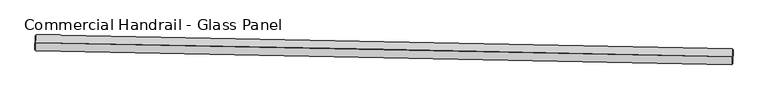
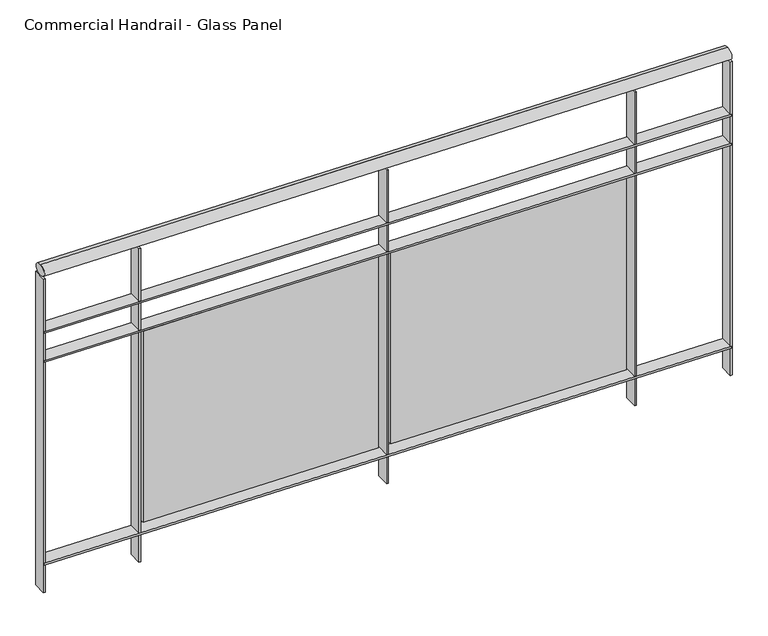
"""IFC4 building model written with IfcOpenShell, lengths in millimetres: railing geometry, Commercial Handrail - Glass Panel."""

import ifcopenshell
import ifcopenshell.guid

model = None  # the IFC model being written
_history = None  # IfcOwnerHistory: only IFC2X3 demands one
_inside = {}  # id of a spatial element -> (the spatial element, [elements in it])
_under = {}  # id of a project, library or spatial element -> (it, [spatial elements below it])
_declared = {}  # id of a project -> (the project, [libraries it declares])
_typed = {}  # id of a type object -> (the type object, [elements of that type])
_made_of = {}  # id of a material, layer set ... -> (it, [elements and type objects made of it])


def new_model(schema):
    """Start an empty IFC model of exactly this schema.

    Asked for "IFC4X3", IfcOpenShell would pick the latest addendum, in which some entities
    have other attributes; the version numbers below select the first issue.
    IFC2X3 requires an IfcOwnerHistory on every rooted entity: one is made here for all.
    """
    global model, _history
    if schema == "IFC4X3":
        model = ifcopenshell.file(schema_version=(4, 3, 0, 0))
    else:
        model = ifcopenshell.file(schema=schema)
    _inside.clear()
    _under.clear()
    _declared.clear()
    _typed.clear()
    _made_of.clear()
    _history = None
    if model.schema == "IFC2X3":
        org = make("IfcOrganization", Name="unknown")
        user = make(
            "IfcPersonAndOrganization",
            ThePerson=make("IfcPerson", FamilyName="unknown"),
            TheOrganization=org,
        )
        app = make(
            "IfcApplication",
            ApplicationDeveloper=org,
            Version="unknown",
            ApplicationFullName="unknown",
            ApplicationIdentifier="unknown",
        )
        _history = make(
            "IfcOwnerHistory",
            OwningUser=user,
            OwningApplication=app,
            ChangeAction="ADDED",
            CreationDate=0,
        )
    return model


def make(cls, **values):
    """One entity of the class cls with the attributes given. An attribute that is None is left unset."""
    return model.create_entity(
        cls, **{name: value for name, value in values.items() if value is not None}
    )


def rooted(cls, **values):
    """An entity with a GlobalId (a new one), such as an element, a storey or a relation."""
    return make(cls, GlobalId=ifcopenshell.guid.new(), OwnerHistory=_history, **values)


def si_unit(unit_type, name, prefix=None):
    """IfcSIUnit, for example si_unit("LENGTHUNIT", "METRE", prefix="MILLI")."""
    return make("IfcSIUnit", UnitType=unit_type, Prefix=prefix, Name=name)


def assignment(units):
    """IfcUnitAssignment: the units of a project."""
    return None if units is None else make("IfcUnitAssignment", Units=units)


def point(xyz):
    """IfcCartesianPoint."""
    return None if xyz is None else make("IfcCartesianPoint", Coordinates=xyz)


def direction(xyz):
    """IfcDirection."""
    return None if xyz is None else make("IfcDirection", DirectionRatios=xyz)


def frame(location, z_axis=None, x_axis=None):
    """IfcAxis2Placement3D, a coordinate frame: its origin and axes. An axis left out is left unset."""
    return make(
        "IfcAxis2Placement3D",
        Location=point(location),
        Axis=direction(z_axis),
        RefDirection=direction(x_axis),
    )


def origin():
    """The frame at (0, 0, 0) with its axes left unset."""
    return frame((0.0, 0.0, 0.0))


def place(relative_to, where):
    """IfcLocalPlacement: puts the frame where relative to a parent placement (None: the world)."""
    return make(
        "IfcLocalPlacement", PlacementRelTo=relative_to, RelativePlacement=where
    )


def context(
    kind, dimensions, precision=None, world=None, true_north=None, identifier=None
):
    """IfcGeometricRepresentationContext, for example the 3D "Model" context."""
    return make(
        "IfcGeometricRepresentationContext",
        ContextIdentifier=identifier,
        ContextType=kind,
        CoordinateSpaceDimension=dimensions,
        Precision=precision,
        WorldCoordinateSystem=world,
        TrueNorth=true_north,
    )


def project(units=None, contexts=None):
    """IfcProject with its units and contexts."""
    return rooted(
        "IfcProject",
        Name="project",
        RepresentationContexts=contexts,
        UnitsInContext=assignment(units),
    )


def spatial(cls, under=None, at=None, **own):
    """A site, building, storey or space (cls), placed at a placement, below another one or the project."""
    s = rooted(cls, ObjectPlacement=at, **own)
    if under is not None:
        _under.setdefault(under.id(), (under, []))[1].append(s)
    return s


def polyline(points):
    """IfcPolyline through the points."""
    return make("IfcPolyline", Points=[point(p) for p in points])


def circle_curve(where, radius):
    """IfcCircle in the frame where."""
    return make("IfcCircle", Position=where, Radius=radius)


def ellipse_curve(where, semi_axis1, semi_axis2):
    """IfcEllipse in the frame where."""
    return make(
        "IfcEllipse", Position=where, SemiAxis1=semi_axis1, SemiAxis2=semi_axis2
    )


def trimmed(basis, trim1, trim2, sense, master):
    """IfcTrimmedCurve: the piece of a basis curve between two trims."""
    return make(
        "IfcTrimmedCurve",
        BasisCurve=basis,
        Trim1=trim1,
        Trim2=trim2,
        SenseAgreement=sense,
        MasterRepresentation=master,
    )


def outline(outer, holes=None, kind="AREA"):
    """IfcArbitraryClosedProfileDef: a profile drawn as a closed curve; with holes, ...WithVoids."""
    if holes is None:
        return make("IfcArbitraryClosedProfileDef", ProfileType=kind, OuterCurve=outer)
    return make(
        "IfcArbitraryProfileDefWithVoids",
        ProfileType=kind,
        OuterCurve=outer,
        InnerCurves=holes,
    )


def extrude(swept, where, along, depth):
    """IfcExtrudedAreaSolid: the profile swept, set in the frame where, extruded along a direction by depth."""
    return make(
        "IfcExtrudedAreaSolid",
        SweptArea=swept,
        Position=where,
        ExtrudedDirection=direction(along),
        Depth=depth,
    )


def shape(context_of_items, identifier, shape_type, items):
    """IfcShapeRepresentation: the items that make up one representation, for example the "Body"."""
    return make(
        "IfcShapeRepresentation",
        ContextOfItems=context_of_items,
        RepresentationIdentifier=identifier,
        RepresentationType=shape_type,
        Items=items,
    )


def source(mapping_origin, context_of_items, identifier, shape_type, items):
    """IfcRepresentationMap: a shape defined once, which mapped items show again and again."""
    return make(
        "IfcRepresentationMap",
        MappingOrigin=mapping_origin,
        MappedRepresentation=shape(context_of_items, identifier, shape_type, items),
    )


def transform(
    local_origin,
    x_axis=None,
    y_axis=None,
    z_axis=None,
    scale=None,
    scale2=None,
    scale3=None,
    uniform=True,
):
    """IfcCartesianTransformationOperator3D, or its non-uniform kind. x_axis, y_axis, z_axis: its Axis1, 2, 3."""
    if uniform:
        return make(
            "IfcCartesianTransformationOperator3D",
            Axis1=direction(x_axis),
            Axis2=direction(y_axis),
            LocalOrigin=point(local_origin),
            Scale=scale,
            Axis3=direction(z_axis),
        )
    return make(
        "IfcCartesianTransformationOperator3DnonUniform",
        Axis1=direction(x_axis),
        Axis2=direction(y_axis),
        LocalOrigin=point(local_origin),
        Scale=scale,
        Axis3=direction(z_axis),
        Scale2=scale2,
        Scale3=scale3,
    )


def mapped(mapping_source, mapping_target):
    """IfcMappedItem: shows the shape of a source again, moved by a transform."""
    return make(
        "IfcMappedItem", MappingSource=mapping_source, MappingTarget=mapping_target
    )


def made_of(thing, what):
    """Note that an element or type object is made of a material, layer set ...; save() writes the relation."""
    if what is not None:
        _made_of.setdefault(what.id(), (what, []))[1].append(thing)
    return thing


def element(
    cls,
    number,
    at=None,
    inside=None,
    cuts=None,
    type_object=None,
    material=None,
    context=None,
    identifier="Body",
    shape_type=None,
    held_by="IfcProductDefinitionShape",
    body=None,
    shapes=None,
    **own,
):
    """One element of the class cls, such as IfcWall. Its Tag is "e" and its number.

    at: its placement. inside: the storey or other place that contains it. cuts: it is an
    opening in that element (IfcRelVoidsElement). A single representation is given by context,
    identifier, shape_type and body (its items); several are given by shapes. held_by: the class
    of the entity that holds the representations. save() writes the other relations.
    """
    e = rooted(cls, Tag="e%d" % number, ObjectPlacement=at, **own)
    if body is not None:
        shapes = [shape(context, identifier, shape_type, body)]
    if shapes is not None:
        e.Representation = make(held_by, Representations=shapes)
    if inside is not None:
        _inside.setdefault(inside.id(), (inside, []))[1].append(e)
    if cuts is not None:
        rooted(
            "IfcRelVoidsElement", RelatingBuildingElement=cuts, RelatedOpeningElement=e
        )
    if type_object is not None:
        _typed.setdefault(type_object.id(), (type_object, []))[1].append(e)
    return made_of(e, material)


def aggregate(whole, parts):
    """IfcRelAggregates: a whole, such as a stair, and the parts it consists of."""
    return rooted("IfcRelAggregates", RelatingObject=whole, RelatedObjects=parts)


def save(model, path):
    """Write the relations noted so far, then the file.

    IfcRelAggregates (storeys below a building ...), IfcRelContainedInSpatialStructure (elements
    in a storey), IfcRelDefinesByType, IfcRelAssociatesMaterial and IfcRelDeclares: one each for
    every whole, place, type object, material and project.
    """
    for whole, parts in _under.values():
        aggregate(whole, parts)
    for where, things in _inside.values():
        rooted(
            "IfcRelContainedInSpatialStructure",
            RelatedElements=things,
            RelatingStructure=where,
        )
    for kind, things in _typed.values():
        rooted("IfcRelDefinesByType", RelatedObjects=things, RelatingType=kind)
    for what, things in _made_of.values():
        rooted("IfcRelAssociatesMaterial", RelatedObjects=things, RelatingMaterial=what)
    for by, libraries in _declared.values():
        rooted("IfcRelDeclares", RelatingContext=by, RelatedDefinitions=libraries)
    model.write(path)


def plane_surface(at):
    """IfcPlane: the flat surface through the origin of the frame at, square to its z axis."""
    return make("IfcPlane", Position=at)


def cylinder_surface(at, radius):
    """IfcCylindricalSurface: all points at the distance radius from the z axis of the frame at."""
    return make("IfcCylindricalSurface", Position=at, Radius=radius)


def revolved_surface(curve, axis_point, axis_direction):
    """IfcSurfaceOfRevolution: the curve turned about the line through axis_point along axis_direction."""
    return make(
        "IfcSurfaceOfRevolution",
        SweptCurve=make("IfcArbitraryOpenProfileDef", ProfileType="CURVE", Curve=curve),
        AxisPosition=make("IfcAxis1Placement", Location=point(axis_point), Axis=direction(axis_direction)),
    )


def advanced_brep(points, edges, surfaces, faces):
    """IfcAdvancedBrep: a solid bounded by faces that lie on surfaces and meet in shared edges.

    An edge is (start, end): straight between two places in points (the first is 0);
    or (start, end, curve); or (start, end, curve, False) where it runs against its curve.
    A face is (place in surfaces, loops), or (place, loops, False) where it looks against
    its surface's normal. A loop lists edges by number (the first is 1), with a minus sign
    where the edge is run from its end to its start. The first loop is the outer one.
    """
    corners = [point(p) for p in points]
    vertices = [make("IfcVertexPoint", VertexGeometry=c) for c in corners]
    made = []
    for start, end, *more in edges:
        made.append(
            make(
                "IfcEdgeCurve",
                EdgeStart=vertices[start],
                EdgeEnd=vertices[end],
                EdgeGeometry=more[0] if more else make("IfcPolyline", Points=[corners[start], corners[end]]),
                SameSense=more[1] if len(more) > 1 else True,
            )
        )
    hull = []
    for where, loops, *sense in faces:
        bounds = []
        for j, loop in enumerate(loops):
            ring = [make("IfcOrientedEdge", EdgeElement=made[abs(k) - 1], Orientation=k > 0) for k in loop]
            bounds.append(
                make(
                    "IfcFaceOuterBound" if j == 0 else "IfcFaceBound",
                    Bound=make("IfcEdgeLoop", EdgeList=ring),
                    Orientation=True,
                )
            )
        hull.append(make("IfcAdvancedFace", Bounds=bounds, FaceSurface=surfaces[where], SameSense=sense[0] if sense else True))
    return make("IfcAdvancedBrep", Outer=make("IfcClosedShell", CfsFaces=hull))


def commercial_handrail_glass_panel_715b6f1b(model_context):
    return source(origin(), model_context, "Body", "SolidModel", [
        advanced_brep(
        [(109450.0847955, -31519.7385661, 19682.5), (111668.0683441, -31564.3090244, 19682.5), (111668.0683441, -31564.3090244, 19717.5), (109450.0847955, -31519.7385661, 19717.5)],
        [
            (0, 1, circle_curve(frame((103958.1605732, -360026.9365691, 19682.5), z_axis=(0.0, 0.0, -1.0), x_axis=(0.023466245609922713, 0.9997246297440985, 0.0)), 328553.1012963)),
            (1, 2, ellipse_curve(frame((111668.0683441, -31564.3090244, 19700.0), z_axis=(-0.9997246297440988, 0.02346624560991631, 0.0), x_axis=(0.0234662456099163, 0.9997246297440986, 0.0)), 25.0, 17.5)),
            (2, 3, circle_curve(frame((103958.1605732, -360026.9365691, 19717.5), z_axis=(0.0, 0.0, 1.0), x_axis=(0.023466245609922713, 0.9997246297440985, 0.0)), 328553.1012963)),
            (3, 0, ellipse_curve(frame((109450.0847955, -31519.7385661, 19700.0), z_axis=(0.999860286531577, -0.016715484348137827, 0.0), x_axis=(0.016715484348137827, 0.999860286531577, 0.0)), 25.0, 17.5)),
            (2, 1, ellipse_curve(frame((111668.0683441, -31564.3090244, 19700.0), z_axis=(-0.9997246297440988, 0.02346624560991631, 0.0), x_axis=(0.0234662456099163, 0.9997246297440986, 0.0)), 25.0, 17.5)),
            (0, 3, ellipse_curve(frame((109450.0847955, -31519.7385661, 19700.0), z_axis=(0.999860286531577, -0.016715484348137827, 0.0), x_axis=(0.016715484348137827, 0.999860286531577, 0.0)), 25.0, 17.5)),
        ],
        [
            revolved_surface(trimmed(ellipse_curve(frame((111668.0683441, -31564.3090244, 19700.0), z_axis=(0.9997246297440985, -0.023466245609922713, 0.0), x_axis=(0.0, 0.0, -1.0)), 17.5, 25.0), [point((111668.0683441, -31564.3090244, 19717.5))], [point((111668.0683441, -31564.3090244, 19682.5))], True, "CARTESIAN"), (103958.1605732, -360026.9365691, 19700.0), (0.0, 0.0, 1.0)),
            revolved_surface(trimmed(ellipse_curve(frame((111668.0683441, -31564.3090244, 19700.0), z_axis=(0.9997246297440985, -0.023466245609922713, 0.0), x_axis=(0.0, 0.0, -1.0)), 17.5, 25.0), [point((111668.0683441, -31564.3090244, 19682.5))], [point((111668.0683441, -31564.3090244, 19717.5))], True, "CARTESIAN"), (103958.1605732, -360026.9365691, 19700.0), (0.0, 0.0, 1.0)),
            plane_surface(frame((111668.0683441, -31564.3090244, 19700.0), z_axis=(0.9997246297440986, -0.023466245609922713, 0.0), x_axis=(0.023466245609922713, 0.9997246297440986, 0.0))),
            plane_surface(frame((109450.0847955, -31519.7385661, 19700.0), z_axis=(-0.999860286531577, 0.016715484348137813, 0.0), x_axis=(0.016715484348137813, 0.999860286531577, 0.0))),
        ],
        [
            (0, [[1, 2, 3, 4]]),
            (1, [[-3, 5, -1, 6]]),
            (2, [[-2, -5]]),
            (3, [[-6, -4]]),
        ],
    ),
        advanced_brep(
        [(109449.7086971, -31542.2354226, 19500.0), (111667.5403536, -31586.8028285, 19500.0), (111668.5963347, -31541.8152202, 19500.0), (109450.4608939, -31497.2417097, 19500.0), (109449.7086971, -31542.2354226, 19494.0), (111667.5403536, -31586.8028285, 19494.0), (109450.4608939, -31497.2417097, 19494.0), (111668.5963347, -31541.8152202, 19494.0)],
        [
            (0, 1, circle_curve(frame((103958.1605732, -360026.9365691, 19500.0), z_axis=(0.0, 0.0, -1.0), x_axis=(0.023466245609922713, 0.9997246297440985, 0.0)), 328530.6012963)),
            (1, 2),
            (2, 3, circle_curve(frame((103958.1605732, -360026.9365691, 19500.0), z_axis=(0.0, 0.0, 1.0), x_axis=(0.023466245609922713, 0.9997246297440985, 0.0)), 328575.6012963)),
            (3, 0),
            (4, 5, circle_curve(frame((103958.1605732, -360026.9365691, 19494.0), z_axis=(0.0, 0.0, -1.0), x_axis=(0.023466245609922713, 0.9997246297440985, 0.0)), 328530.6012963)),
            (5, 1),
            (0, 4),
            (6, 7, circle_curve(frame((103958.1605732, -360026.9365691, 19494.0), z_axis=(0.0, 0.0, -1.0), x_axis=(0.023466245609922713, 0.9997246297440985, 0.0)), 328575.6012963)),
            (7, 5),
            (4, 6),
            (2, 7),
            (6, 3),
        ],
        [
            plane_surface(frame((103958.1605732, -360026.9365691, 19500.0), z_axis=(0.0, 0.0, 1.0), x_axis=(0.023466245609922713, 0.9997246297440985, 0.0))),
            revolved_surface(polyline([(111667.54035359457, -31586.802828550455, 19500.0), (111667.54035359457, -31586.802828550455, 19494.0)]), (103958.1605732, -360026.9365691, 19500.0), (0.0, 0.0, 1.0)),
            plane_surface(frame((103958.1605732, -360026.9365691, 19494.0), z_axis=(0.0, 0.0, -1.0), x_axis=(0.023466245609922713, 0.9997246297440985, 0.0))),
            cylinder_surface(frame((103958.1605732, -360026.9365691, 19500.0), z_axis=(0.0, 0.0, 1.0), x_axis=(0.023466245609922713, 0.9997246297440985, 0.0)), 328575.6012963),
            plane_surface(frame((111668.0683441, -31564.3090244, 19500.0), z_axis=(0.9997246297440986, -0.023466245609922713, 0.0), x_axis=(0.023466245609922713, 0.9997246297440986, 0.0))),
            plane_surface(frame((109450.0847955, -31519.7385661, 19500.0), z_axis=(-0.999860286531577, 0.016715484348137813, 0.0), x_axis=(0.016715484348137813, 0.999860286531577, 0.0))),
        ],
        [
            (0, [[1, 2, 3, 4]]),
            (1, [[5, 6, -1, 7]]),
            (2, [[8, 9, -5, 10]]),
            (3, [[-3, 11, -8, 12]]),
            (4, [[-2, -6, -9, -11]]),
            (5, [[-12, -10, -7, -4]]),
        ],
    ),
        advanced_brep(
        [(109449.7086971, -31542.2354226, 19400.0), (111667.5403536, -31586.8028285, 19400.0), (111668.5963347, -31541.8152202, 19400.0), (109450.4608939, -31497.2417097, 19400.0), (109449.7086971, -31542.2354226, 19394.0), (111667.5403536, -31586.8028285, 19394.0), (109450.4608939, -31497.2417097, 19394.0), (111668.5963347, -31541.8152202, 19394.0)],
        [
            (0, 1, circle_curve(frame((103958.1605732, -360026.9365691, 19400.0), z_axis=(0.0, 0.0, -1.0), x_axis=(0.023466245609922713, 0.9997246297440985, 0.0)), 328530.6012963)),
            (1, 2),
            (2, 3, circle_curve(frame((103958.1605732, -360026.9365691, 19400.0), z_axis=(0.0, 0.0, 1.0), x_axis=(0.023466245609922713, 0.9997246297440985, 0.0)), 328575.6012963)),
            (3, 0),
            (4, 5, circle_curve(frame((103958.1605732, -360026.9365691, 19394.0), z_axis=(0.0, 0.0, -1.0), x_axis=(0.023466245609922713, 0.9997246297440985, 0.0)), 328530.6012963)),
            (5, 1),
            (0, 4),
            (6, 7, circle_curve(frame((103958.1605732, -360026.9365691, 19394.0), z_axis=(0.0, 0.0, -1.0), x_axis=(0.023466245609922713, 0.9997246297440985, 0.0)), 328575.6012963)),
            (7, 5),
            (4, 6),
            (2, 7),
            (6, 3),
        ],
        [
            plane_surface(frame((103958.1605732, -360026.9365691, 19400.0), z_axis=(0.0, 0.0, 1.0), x_axis=(0.023466245609922713, 0.9997246297440985, 0.0))),
            revolved_surface(polyline([(111667.54035359457, -31586.802828550455, 19400.0), (111667.54035359457, -31586.802828550455, 19394.0)]), (103958.1605732, -360026.9365691, 19400.0), (0.0, 0.0, 1.0)),
            plane_surface(frame((103958.1605732, -360026.9365691, 19394.0), z_axis=(0.0, 0.0, -1.0), x_axis=(0.023466245609922713, 0.9997246297440985, 0.0))),
            cylinder_surface(frame((103958.1605732, -360026.9365691, 19400.0), z_axis=(0.0, 0.0, 1.0), x_axis=(0.023466245609922713, 0.9997246297440985, 0.0)), 328575.6012963),
            plane_surface(frame((111668.0683441, -31564.3090244, 19400.0), z_axis=(0.9997246297440986, -0.023466245609922713, 0.0), x_axis=(0.023466245609922713, 0.9997246297440986, 0.0))),
            plane_surface(frame((109450.0847955, -31519.7385661, 19400.0), z_axis=(-0.999860286531577, 0.016715484348137813, 0.0), x_axis=(0.016715484348137813, 0.999860286531577, 0.0))),
        ],
        [
            (0, [[1, 2, 3, 4]]),
            (1, [[5, 6, -1, 7]]),
            (2, [[8, 9, -5, 10]]),
            (3, [[-3, 11, -8, 12]]),
            (4, [[-2, -6, -9, -11]]),
            (5, [[-12, -10, -7, -4]]),
        ],
    ),
        advanced_brep(
        [(109449.7086971, -31542.2354226, 18700.0), (111667.5403536, -31586.8028285, 18700.0), (111668.5963347, -31541.8152202, 18700.0), (109450.4608939, -31497.2417097, 18700.0), (109449.7086971, -31542.2354226, 18694.0), (111667.5403536, -31586.8028285, 18694.0), (109450.4608939, -31497.2417097, 18694.0), (111668.5963347, -31541.8152202, 18694.0)],
        [
            (0, 1, circle_curve(frame((103958.1605732, -360026.9365691, 18700.0), z_axis=(0.0, 0.0, -1.0), x_axis=(0.023466245609922713, 0.9997246297440985, 0.0)), 328530.6012963)),
            (1, 2),
            (2, 3, circle_curve(frame((103958.1605732, -360026.9365691, 18700.0), z_axis=(0.0, 0.0, 1.0), x_axis=(0.023466245609922713, 0.9997246297440985, 0.0)), 328575.6012963)),
            (3, 0),
            (4, 5, circle_curve(frame((103958.1605732, -360026.9365691, 18694.0), z_axis=(0.0, 0.0, -1.0), x_axis=(0.023466245609922713, 0.9997246297440985, 0.0)), 328530.6012963)),
            (5, 1),
            (0, 4),
            (6, 7, circle_curve(frame((103958.1605732, -360026.9365691, 18694.0), z_axis=(0.0, 0.0, -1.0), x_axis=(0.023466245609922713, 0.9997246297440985, 0.0)), 328575.6012963)),
            (7, 5),
            (4, 6),
            (2, 7),
            (6, 3),
        ],
        [
            plane_surface(frame((103958.1605732, -360026.9365691, 18700.0), z_axis=(0.0, 0.0, 1.0), x_axis=(0.023466245609922713, 0.9997246297440985, 0.0))),
            revolved_surface(polyline([(111667.54035359457, -31586.802828550455, 18700.0), (111667.54035359457, -31586.802828550455, 18694.0)]), (103958.1605732, -360026.9365691, 18700.0), (0.0, 0.0, 1.0)),
            plane_surface(frame((103958.1605732, -360026.9365691, 18694.0), z_axis=(0.0, 0.0, -1.0), x_axis=(0.023466245609922713, 0.9997246297440985, 0.0))),
            cylinder_surface(frame((103958.1605732, -360026.9365691, 18700.0), z_axis=(0.0, 0.0, 1.0), x_axis=(0.023466245609922713, 0.9997246297440985, 0.0)), 328575.6012963),
            plane_surface(frame((111668.0683441, -31564.3090244, 18700.0), z_axis=(0.9997246297440986, -0.023466245609922713, 0.0), x_axis=(0.023466245609922713, 0.9997246297440986, 0.0))),
            plane_surface(frame((109450.0847955, -31519.7385661, 18700.0), z_axis=(-0.999860286531577, 0.016715484348137813, 0.0), x_axis=(0.016715484348137813, 0.999860286531577, 0.0))),
        ],
        [
            (0, [[1, 2, 3, 4]]),
            (1, [[5, 6, -1, 7]]),
            (2, [[8, 9, -5, 10]]),
            (3, [[-3, 11, -8, 12]]),
            (4, [[-2, -6, -9, -11]]),
            (5, [[-12, -10, -7, -4]]),
        ],
    ),
        extrude(outline(polyline([(109762.6536892, -31502.6092569), (109761.8591469, -31547.602242), (109755.8600823, -31547.496303), (109756.6546246, -31502.503318), (109762.6536892, -31502.6092569)])), frame((0.0, 0.0, 18600.0), z_axis=(0.0, 0.0, 1.0), x_axis=(1.0, 0.0, 0.0)), (0.0, 0.0, 1.0), 1082.1192282),
        extrude(outline(polyline([(110539.0092025, -31545.529787), (109779.1445776, -31531.185736), (109779.3710626, -31519.1878735), (110539.2356875, -31533.5319245), (110539.0092025, -31545.529787)])), frame((0.0, 0.0, 18720.0), z_axis=(0.0, 0.0, 1.0), x_axis=(1.0, 0.0, 0.0)), (0.0, 0.0, 1.0), 660.0),
        extrude(outline(polyline([(110562.5656296, -31517.7165918), (110561.6615355, -31562.7075088), (110555.6627466, -31562.5869629), (110556.5668406, -31517.5960459), (110562.5656296, -31517.7165918)])), frame((0.0, 0.0, 18600.0), z_axis=(0.0, 0.0, 1.0), x_axis=(1.0, 0.0, 0.0)), (0.0, 0.0, 1.0), 1082.1192282),
        extrude(outline(polyline([(111338.8143335, -31562.5273551), (110578.9868877, -31546.33314), (110579.2425858, -31534.3358646), (111339.0700316, -31550.5300797), (111338.8143335, -31562.5273551)])), frame((0.0, 0.0, 18720.0), z_axis=(0.0, 0.0, 1.0), x_axis=(1.0, 0.0, 0.0)), (0.0, 0.0, 1.0), 660.0),
        extrude(outline(polyline([(111362.4384136, -31534.7716003), (111361.4247731, -31579.7601825), (111355.4262954, -31579.6250305), (111356.4399359, -31534.6364482), (111362.4384136, -31534.7716003)])), frame((0.0, 0.0, 18600.0), z_axis=(0.0, 0.0, 1.0), x_axis=(1.0, 0.0, 0.0)), (0.0, 0.0, 1.0), 1082.1192282),
        extrude(outline(polyline([(109453.4604747, -31497.2918561), (109452.7082779, -31542.285569), (109446.7091162, -31542.1852761), (109447.461313, -31497.1915632), (109453.4604747, -31497.2918561)])), frame((0.0, 0.0, 18600.0), z_axis=(0.0, 0.0, 1.0), x_axis=(1.0, 0.0, 0.0)), (0.0, 0.0, 1.0), 1082.1192282),
        extrude(outline(polyline([(111671.5955086, -31541.8856189), (111670.5395275, -31586.8732273), (111664.5411797, -31586.7324298), (111665.5971608, -31541.7448215), (111671.5955086, -31541.8856189)])), frame((0.0, 0.0, 18600.0), z_axis=(0.0, 0.0, 1.0), x_axis=(1.0, 0.0, 0.0)), (0.0, 0.0, 1.0), 1082.1192282),
    ])


if __name__ == "__main__":
    model = new_model("IFC4")
    model_context = context("Model", 3, world=origin())
    ifc_project = project(units=[si_unit("LENGTHUNIT", "METRE", prefix="MILLI")], contexts=[model_context])
    site = spatial("IfcSite", under=ifc_project)
    building = spatial("IfcBuilding", under=site)
    placement = place(None, origin())
    commercial_handrail_glass_panel_shape = commercial_handrail_glass_panel_715b6f1b(model_context)
    element("IfcRailing", 1, ObjectType="Commercial Handrail - Glass Panel", at=placement, inside=building, context=model_context, shape_type="MappedRepresentation", body=[
        mapped(commercial_handrail_glass_panel_shape, transform((0.0, 0.0, 0.0), x_axis=(1.0, 0.0, 0.0), y_axis=(0.0, 1.0, 0.0), z_axis=(0.0, 0.0, 1.0))),
    ])
    save(model, "model.ifc")
